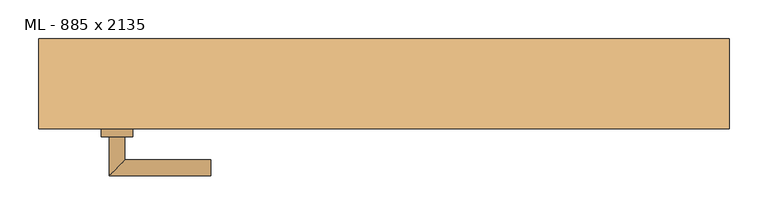
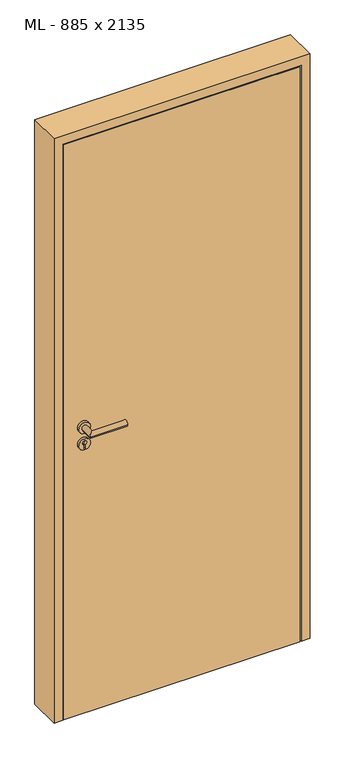
"""IFC4 building model written with IfcOpenShell, lengths in millimetres: door geometry, ML - 885 x 2135."""

from ifc_helpers import new_model, si_unit, point, frame, frame_2d, origin, origin_with_axes, place, context, project, spatial, polyline, circle_curve, ellipse_curve, trimmed, segment, composite_curve, outline, extrude, faceted_brep, source, transform, mapped, element, save
from ifc_brep_helpers import plane_surface, cylinder_surface, advanced_brep


def ml_885_x_2135_e183a9a4(model_context):
    return source(origin(), model_context, "Body", "SolidModel", [
        extrude(outline(polyline([(408.5, -57.5), (-408.5, -57.5), (-408.5, -12.5), (408.5, -12.5), (408.5, -57.5)])), origin_with_axes(), (0.0, 0.0, 1.0), 2101.0),
        advanced_brep(
        [(-332.5, -67.5, 1050.0), (-352.5, -67.5, 1050.0), (-352.5, -117.5, 1050.0), (-332.5, -97.5, 1050.0), (-222.5, -97.5, 1050.0), (-222.5, -117.5, 1050.0)],
        [
            (0, 1, circle_curve(frame((-342.5, -67.5, 1050.0), z_axis=(0.0, 1.0, 0.0), x_axis=(-1.0, 0.0, 0.0)), 10.0)),
            (1, 0, circle_curve(frame((-342.5, -67.5, 1050.0), z_axis=(0.0, 1.0, 0.0), x_axis=(-1.0, 0.0, 0.0)), 10.0)),
            (1, 2),
            (2, 3, ellipse_curve(frame((-342.5, -107.5, 1050.0), z_axis=(-0.7071067811865531, 0.7071067811865419, 0.0), x_axis=(0.707106781186542, 0.707106781186553, 0.0)), 14.1421356, 10.0)),
            (3, 0),
            (3, 2, ellipse_curve(frame((-342.5, -107.5, 1050.0), z_axis=(-0.7071067811865531, 0.7071067811865419, 0.0), x_axis=(0.707106781186542, 0.707106781186553, 0.0)), 14.1421356, 10.0)),
            (4, 5, circle_curve(frame((-222.5, -107.5, 1050.0), z_axis=(1.0, 0.0, 0.0), x_axis=(0.0, -1.0, 0.0)), 10.0)),
            (5, 4, circle_curve(frame((-222.5, -107.5, 1050.0), z_axis=(1.0, 0.0, 0.0), x_axis=(0.0, -1.0, 0.0)), 10.0)),
            (2, 5),
            (4, 3),
        ],
        [
            plane_surface(frame((-342.5, -67.5, 1050.0), z_axis=(0.0, 1.0, 0.0), x_axis=(0.0, 0.0, 1.0))),
            cylinder_surface(frame((-342.5, -67.5, 1050.0), z_axis=(0.0, 1.0, 0.0), x_axis=(-1.0, 0.0, 0.0)), 10.0),
            plane_surface(frame((-222.5, -107.5, 1050.0), z_axis=(1.0, 0.0, 0.0), x_axis=(0.0, 0.0, 1.0))),
            cylinder_surface(frame((-342.5, -107.5, 1050.0), z_axis=(-1.0, 0.0, 0.0), x_axis=(0.0, -1.0, 0.0)), 10.0),
        ],
        [
            (0, [[1, 2]]),
            (1, [[3, 4, 5, -2]]),
            (1, [[-5, 6, -3, -1]]),
            (2, [[7, 8]]),
            (3, [[9, -7, 10, -4]]),
            (3, [[-10, -8, -9, -6]]),
        ],
    ),
        extrude(outline(composite_curve([segment(trimmed(circle_curve(frame_2d((990.0, -342.5)), 20.0), [point((990.0, -362.5))], [point((990.0, -322.5))], False, "CARTESIAN"), True, "CONTINUOUS"), segment(trimmed(circle_curve(frame_2d((990.0, -342.5)), 20.0), [point((990.0, -322.5))], [point((990.0, -362.5))], False, "CARTESIAN"), True, "CONTINUOUS")], self_intersect=False), holes=[composite_curve([segment(polyline([(976.4601385, -344.897268), (988.4749012, -344.897268)]), True, "CONTINUOUS"), segment(trimmed(circle_curve(frame_2d((995.0361633, -342.5)), 6.9854888), [point((988.4749012, -344.897268))], [point((988.4749012, -340.102732))], True, "CARTESIAN"), True, "CONTINUOUS"), segment(polyline([(988.4749012, -340.102732), (976.4601385, -340.102732)]), True, "CONTINUOUS"), segment(trimmed(circle_curve(frame_2d((976.4601385, -342.5)), 2.397268), [point((976.4601385, -340.102732))], [point((976.4601385, -344.897268))], True, "CARTESIAN"), True, "CONTINUOUS")], self_intersect=False)]), frame((0.0, -67.5, 0.0), z_axis=(0.0, 1.0, 0.0), x_axis=(0.0, 0.0, 1.0)), (0.0, 0.0, 1.0), 10.0),
        advanced_brep(
        [(-332.5, -67.5, 1050.0), (-352.5, -67.5, 1050.0), (-352.5, -117.5, 1050.0), (-332.5, -97.5, 1050.0), (-222.5, -97.5, 1050.0), (-222.5, -117.5, 1050.0)],
        [
            (0, 1, circle_curve(frame((-342.5, -67.5, 1050.0), z_axis=(0.0, 1.0, 0.0), x_axis=(-1.0, 0.0, 0.0)), 10.0)),
            (1, 0, circle_curve(frame((-342.5, -67.5, 1050.0), z_axis=(0.0, 1.0, 0.0), x_axis=(-1.0, 0.0, 0.0)), 10.0)),
            (1, 2),
            (2, 3, ellipse_curve(frame((-342.5, -107.5, 1050.0), z_axis=(-0.7071067811865537, 0.7071067811865414, 0.0), x_axis=(0.7071067811865414, 0.7071067811865536, 0.0)), 14.1421356, 10.0)),
            (3, 0),
            (3, 2, ellipse_curve(frame((-342.5, -107.5, 1050.0), z_axis=(-0.7071067811865537, 0.7071067811865414, 0.0), x_axis=(0.7071067811865414, 0.7071067811865536, 0.0)), 14.1421356, 10.0)),
            (4, 5, circle_curve(frame((-222.5, -107.5, 1050.0), z_axis=(1.0, 0.0, 0.0), x_axis=(0.0, -1.0, 0.0)), 10.0)),
            (5, 4, circle_curve(frame((-222.5, -107.5, 1050.0), z_axis=(1.0, 0.0, 0.0), x_axis=(0.0, -1.0, 0.0)), 10.0)),
            (2, 5),
            (4, 3),
        ],
        [
            plane_surface(frame((-342.5, -67.5, 1050.0), z_axis=(0.0, 1.0, 0.0), x_axis=(0.0, 0.0, 1.0))),
            cylinder_surface(frame((-342.5, -67.5, 1050.0), z_axis=(0.0, 1.0, 0.0), x_axis=(-1.0, 0.0, 0.0)), 10.0),
            plane_surface(frame((-222.5, -107.5, 1050.0), z_axis=(1.0, 0.0, 0.0), x_axis=(0.0, 0.0, 1.0))),
            cylinder_surface(frame((-342.5, -107.5, 1050.0), z_axis=(-1.0, 0.0, 0.0), x_axis=(0.0, -1.0, 0.0)), 10.0),
        ],
        [
            (0, [[1, 2]]),
            (1, [[3, 4, 5, -2]]),
            (1, [[-5, 6, -3, -1]]),
            (2, [[7, 8]]),
            (3, [[9, -7, 10, -4]]),
            (3, [[-10, -8, -9, -6]]),
        ],
    ),
        extrude(outline(composite_curve([segment(trimmed(circle_curve(frame_2d((1050.0, -342.5)), 20.0), [point((1050.0, -362.5))], [point((1050.0, -322.5))], False, "CARTESIAN"), True, "CONTINUOUS"), segment(trimmed(circle_curve(frame_2d((1050.0, -342.5)), 20.0), [point((1050.0, -322.5))], [point((1050.0, -362.5))], False, "CARTESIAN"), True, "CONTINUOUS")], self_intersect=False)), frame((0.0, -67.5, 0.0), z_axis=(0.0, 1.0, 0.0), x_axis=(0.0, 0.0, 1.0)), (0.0, 0.0, 1.0), 10.0),
        advanced_brep(
        [(-332.5, -2.5, 1050.0), (-352.5, -2.5, 1050.0), (-332.5, 27.5, 1050.0), (-352.5, 47.5, 1050.0), (-222.5, 27.5, 1050.0), (-222.5, 47.5, 1050.0)],
        [
            (0, 1, circle_curve(frame((-342.5, -2.5, 1050.0), z_axis=(0.0, -1.0, 0.0), x_axis=(-1.0, 0.0, 0.0)), 10.0)),
            (1, 0, circle_curve(frame((-342.5, -2.5, 1050.0), z_axis=(0.0, -1.0, 0.0), x_axis=(-1.0, 0.0, 0.0)), 10.0)),
            (0, 2),
            (2, 3, ellipse_curve(frame((-342.5, 37.5, 1050.0), z_axis=(-0.7071067811865486, -0.7071067811865464, 0.0), x_axis=(0.7071067811865464, -0.7071067811865488, 0.0)), 14.1421356, 10.0)),
            (3, 1),
            (3, 2, ellipse_curve(frame((-342.5, 37.5, 1050.0), z_axis=(-0.7071067811865486, -0.7071067811865464, 0.0), x_axis=(0.7071067811865464, -0.7071067811865488, 0.0)), 14.1421356, 10.0)),
            (4, 5, circle_curve(frame((-222.5, 37.5, 1050.0), z_axis=(1.0, 0.0, 0.0), x_axis=(0.0, 1.0, 0.0)), 10.0)),
            (5, 4, circle_curve(frame((-222.5, 37.5, 1050.0), z_axis=(1.0, 0.0, 0.0), x_axis=(0.0, 1.0, 0.0)), 10.0)),
            (2, 4),
            (5, 3),
        ],
        [
            plane_surface(frame((-342.5, -2.5, 1050.0), z_axis=(0.0, -1.0, 0.0), x_axis=(0.0, 0.0, 1.0))),
            cylinder_surface(frame((-342.5, -2.5, 1050.0), z_axis=(0.0, -1.0, 0.0), x_axis=(-1.0, 0.0, 0.0)), 10.0),
            plane_surface(frame((-222.5, 37.5, 1050.0), z_axis=(1.0, 0.0, 0.0), x_axis=(0.0, 0.0, 1.0))),
            cylinder_surface(frame((-342.5, 37.5, 1050.0), z_axis=(-1.0, 0.0, 0.0), x_axis=(0.0, 1.0, 0.0)), 10.0),
        ],
        [
            (0, [[1, 2]]),
            (1, [[-1, 3, 4, 5]]),
            (1, [[-2, -5, 6, -3]]),
            (2, [[7, 8]]),
            (3, [[-4, 9, -8, 10]]),
            (3, [[-6, -10, -7, -9]]),
        ],
    ),
        extrude(outline(composite_curve([segment(trimmed(circle_curve(frame_2d((990.0, -342.5)), 20.0), [point((990.0, -362.5))], [point((990.0, -322.5))], False, "CARTESIAN"), True, "CONTINUOUS"), segment(trimmed(circle_curve(frame_2d((990.0, -342.5)), 20.0), [point((990.0, -322.5))], [point((990.0, -362.5))], False, "CARTESIAN"), True, "CONTINUOUS")], self_intersect=False), holes=[composite_curve([segment(polyline([(976.4601385, -344.897268), (988.4749012, -344.897268)]), True, "CONTINUOUS"), segment(trimmed(circle_curve(frame_2d((995.0361633, -342.5)), 6.9854888), [point((988.4749012, -344.897268))], [point((988.4749012, -340.102732))], True, "CARTESIAN"), True, "CONTINUOUS"), segment(polyline([(988.4749012, -340.102732), (976.4601385, -340.102732)]), True, "CONTINUOUS"), segment(trimmed(circle_curve(frame_2d((976.4601385, -342.5)), 2.397268), [point((976.4601385, -340.102732))], [point((976.4601385, -344.897268))], True, "CARTESIAN"), True, "CONTINUOUS")], self_intersect=False)]), frame((0.0, -12.5, 0.0), z_axis=(0.0, 1.0, 0.0), x_axis=(0.0, 0.0, 1.0)), (0.0, 0.0, 1.0), 10.0),
        advanced_brep(
        [(-332.5, -2.5, 1050.0), (-352.5, -2.5, 1050.0), (-332.5, 27.5, 1050.0), (-352.5, 47.5, 1050.0), (-222.5, 27.5, 1050.0), (-222.5, 47.5, 1050.0)],
        [
            (0, 1, circle_curve(frame((-342.5, -2.5, 1050.0), z_axis=(0.0, -1.0, 0.0), x_axis=(-1.0, 0.0, 0.0)), 10.0)),
            (1, 0, circle_curve(frame((-342.5, -2.5, 1050.0), z_axis=(0.0, -1.0, 0.0), x_axis=(-1.0, 0.0, 0.0)), 10.0)),
            (0, 2),
            (2, 3, ellipse_curve(frame((-342.5, 37.5, 1050.0), z_axis=(-0.7071067811865491, -0.7071067811865459, 0.0), x_axis=(0.7071067811865458, -0.7071067811865492, 0.0)), 14.1421356, 10.0)),
            (3, 1),
            (3, 2, ellipse_curve(frame((-342.5, 37.5, 1050.0), z_axis=(-0.7071067811865491, -0.7071067811865459, 0.0), x_axis=(0.7071067811865458, -0.7071067811865492, 0.0)), 14.1421356, 10.0)),
            (4, 5, circle_curve(frame((-222.5, 37.5, 1050.0), z_axis=(1.0, 0.0, 0.0), x_axis=(0.0, 1.0, 0.0)), 10.0)),
            (5, 4, circle_curve(frame((-222.5, 37.5, 1050.0), z_axis=(1.0, 0.0, 0.0), x_axis=(0.0, 1.0, 0.0)), 10.0)),
            (2, 4),
            (5, 3),
        ],
        [
            plane_surface(frame((-342.5, -2.5, 1050.0), z_axis=(0.0, -1.0, 0.0), x_axis=(0.0, 0.0, 1.0))),
            cylinder_surface(frame((-342.5, -2.5, 1050.0), z_axis=(0.0, -1.0, 0.0), x_axis=(-1.0, 0.0, 0.0)), 10.0),
            plane_surface(frame((-222.5, 37.5, 1050.0), z_axis=(1.0, 0.0, 0.0), x_axis=(0.0, 0.0, 1.0))),
            cylinder_surface(frame((-342.5, 37.5, 1050.0), z_axis=(-1.0, 0.0, 0.0), x_axis=(0.0, 1.0, 0.0)), 10.0),
        ],
        [
            (0, [[1, 2]]),
            (1, [[-1, 3, 4, 5]]),
            (1, [[-2, -5, 6, -3]]),
            (2, [[7, 8]]),
            (3, [[-4, 9, -8, 10]]),
            (3, [[-6, -10, -7, -9]]),
        ],
    ),
        extrude(outline(composite_curve([segment(trimmed(circle_curve(frame_2d((1050.0, -342.5)), 20.0), [point((1050.0, -362.5))], [point((1050.0, -322.5))], False, "CARTESIAN"), True, "CONTINUOUS"), segment(trimmed(circle_curve(frame_2d((1050.0, -342.5)), 20.0), [point((1050.0, -322.5))], [point((1050.0, -362.5))], False, "CARTESIAN"), True, "CONTINUOUS")], self_intersect=False)), frame((0.0, -12.5, 0.0), z_axis=(0.0, 1.0, 0.0), x_axis=(0.0, 0.0, 1.0)), (0.0, 0.0, 1.0), 10.0),
        faceted_brep([(-412.5, -57.5, 0.0), (-442.5, -57.5, 0.0), (-442.5, 57.5, 0.0), (-397.5, 57.5, 0.0), (-397.5, -12.5, 0.0), (-412.5, -12.5, 0.0), (-412.5, -12.5, 2105.0), (-412.5, -57.5, 2105.0), (-397.5, -12.5, 2090.0), (397.5, -12.5, 2090.0), (397.5, -12.5, 0.0), (412.5, -12.5, 0.0), (412.5, -12.5, 2105.0), (-397.5, 57.5, 2090.0), (-442.5, 57.5, 2135.0), (442.5, 57.5, 2135.0), (442.5, 57.5, 0.0), (397.5, 57.5, 0.0), (397.5, 57.5, 2090.0), (-442.5, -57.5, 2135.0), (412.5, -57.5, 2105.0), (412.5, -57.5, 0.0), (442.5, -57.5, 0.0), (442.5, -57.5, 2135.0)], [[[0, 1, 2, 3, 4, 5]], [[5, 6, 7, 0]], [[4, 8, 9, 10, 11, 12, 6, 5]], [[3, 13, 8, 4]], [[2, 14, 15, 16, 17, 18, 13, 3]], [[1, 19, 14, 2]], [[0, 7, 20, 21, 22, 23, 19, 1]], [[23, 22, 16, 15]], [[21, 11, 10, 17, 16, 22]], [[12, 11, 21, 20]], [[18, 17, 10, 9]], [[19, 23, 15, 14]], [[13, 18, 9, 8]], [[6, 12, 20, 7]]]),
    ])


if __name__ == "__main__":
    model = new_model("IFC4")
    model_context = context("Model", 3, world=origin())
    ifc_project = project(units=[si_unit("LENGTHUNIT", "METRE", prefix="MILLI")], contexts=[model_context])
    site = spatial("IfcSite", under=ifc_project)
    building = spatial("IfcBuilding", under=site)
    placement = place(None, origin())
    ml_885_x_2135_shape = ml_885_x_2135_e183a9a4(model_context)
    element("IfcDoor", 1, ObjectType="ML - 885 x 2135", at=placement, inside=building, context=model_context, shape_type="MappedRepresentation", body=[
        mapped(ml_885_x_2135_shape, transform((0.0, 0.0, 0.0), x_axis=(1.0, 0.0, 0.0), y_axis=(0.0, 1.0, 0.0), z_axis=(0.0, 0.0, 1.0))),
    ])
    save(model, "model.ifc")
